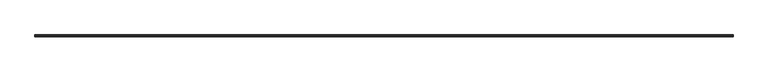
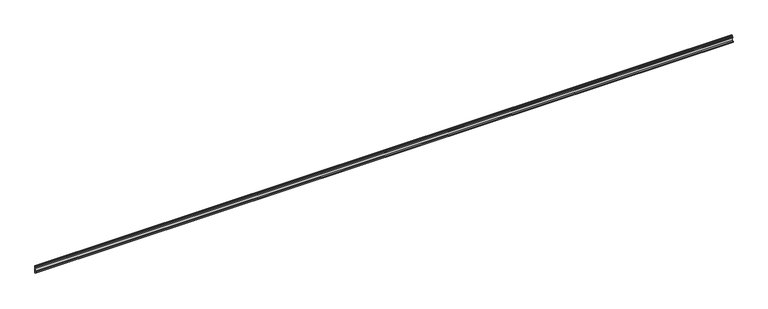
"""IFC4 building model written with IfcOpenShell, lengths in millimetres: furniture geometry."""

from ifc_helpers import new_model, si_unit, frame, origin, place, context, project, spatial, polyline, outline, extrude, source, transform, mapped, element, save


def furniture_ffd3f93c(model_context):
    return source(origin(), model_context, "Body", "SweptSolid", [
        extrude(outline(polyline([(0.0, 1981.2), (-3.0801413, 1981.1982663), (-3.0837154, 1987.5482653), (-11.5351723, 1987.5435084), (-11.5387464, 1993.8935074), (-3.0872896, 1993.8982643), (-3.0983255, 2013.5053275), (-7.581033, 2013.5028044), (-7.5846072, 2019.8528034), (-3.1018996, 2019.8553265), (-3.1054738, 2026.2053255), (-0.0253325, 2026.2070592), (0.0, 1981.2)])), frame((41.91, 0.0, 0.0), z_axis=(1.0, 0.0, 0.0), x_axis=(0.0, 1.0, 0.0)), (0.0, 0.0, 1.0), 4183.38),
    ])


if __name__ == "__main__":
    model = new_model("IFC4")
    model_context = context("Model", 3, world=origin())
    ifc_project = project(units=[si_unit("LENGTHUNIT", "METRE", prefix="MILLI")], contexts=[model_context])
    site = spatial("IfcSite", under=ifc_project)
    building = spatial("IfcBuilding", under=site)
    placement = place(None, origin())
    furniture_shape = furniture_ffd3f93c(model_context)
    element("IfcFurniture", 1, at=placement, inside=building, context=model_context, shape_type="MappedRepresentation", body=[
        mapped(furniture_shape, transform((0.0, 0.0, 0.0), x_axis=(1.0, 0.0, 0.0), y_axis=(0.0, 1.0, 0.0), z_axis=(0.0, 0.0, 1.0))),
    ])
    save(model, "model.ifc")
